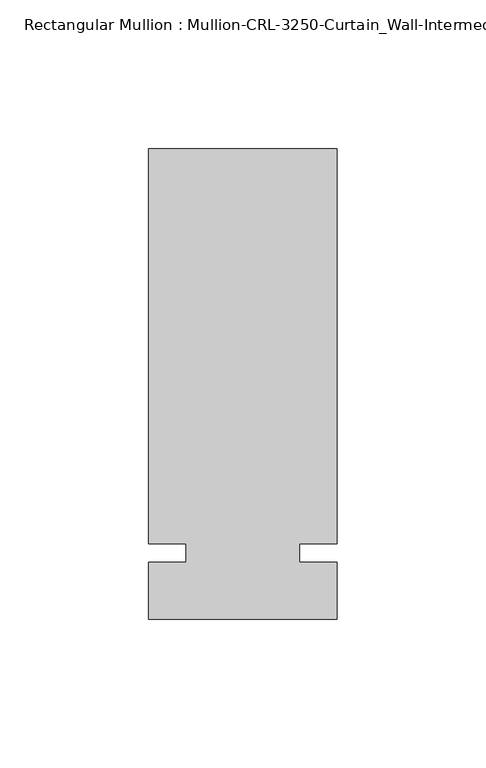
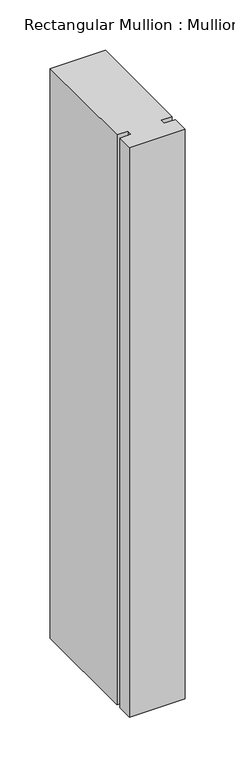
"""IFC4 building model written with IfcOpenShell, lengths in millimetres: member geometry."""

from ifc_helpers import new_model, si_unit, frame, origin, place, context, project, spatial, polyline, outline, extrude, source, transform, mapped, element, save


def member_70e3f48c(model_context):
    return source(origin(), model_context, "Body", "SweptSolid", [
        extrude(outline(polyline([(31.7499985, -3.175), (31.7499985, -22.2254168), (-31.7499985, -22.2254168), (-31.7499985, -3.175), (-19.0499985, -3.175), (-19.0499985, 3.175), (-31.7499985, 3.175), (-31.7499985, 136.0175642), (31.7499985, 136.0175642), (31.7499985, 3.175), (19.0499985, 3.175), (19.0499985, -3.175), (31.7499985, -3.175)])), frame((0.0, 0.0, -692.1419934), z_axis=(0.0, 0.0, 1.0), x_axis=(1.0, 0.0, 0.0)), (0.0, 0.0, 1.0), 692.1419934),
    ])


if __name__ == "__main__":
    model = new_model("IFC4")
    model_context = context("Model", 3, world=origin())
    ifc_project = project(units=[si_unit("LENGTHUNIT", "METRE", prefix="MILLI")], contexts=[model_context])
    site = spatial("IfcSite", under=ifc_project)
    building = spatial("IfcBuilding", under=site)
    placement = place(None, origin())
    member_shape = member_70e3f48c(model_context)
    element("IfcMember", 1, ObjectType="Rectangular Mullion : Mullion-CRL-3250-Curtain_Wall-Intermediate_Horizontal-5\"", at=placement, inside=building, context=model_context, shape_type="MappedRepresentation", body=[
        mapped(member_shape, transform((0.0, 0.0, 0.0), x_axis=(1.0, 0.0, 0.0), y_axis=(0.0, 1.0, 0.0), z_axis=(0.0, 0.0, 1.0))),
    ])
    save(model, "model.ifc")
